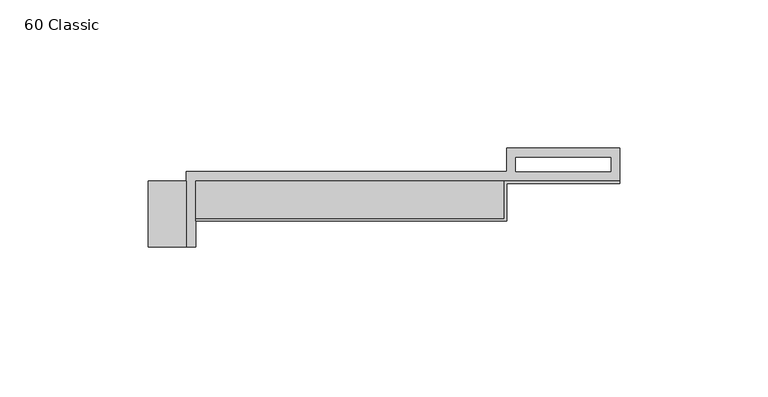
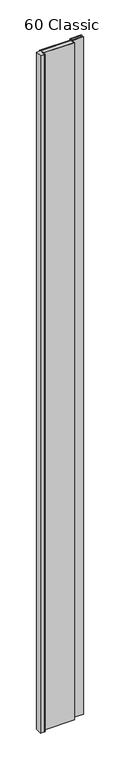
"""IFC4 building model written with IfcOpenShell, lengths in millimetres: proxy geometry, 60 Classic."""

from ifc_helpers import new_model, si_unit, origin, origin_with_axes, place, context, project, spatial, polyline, outline, extrude, source, transform, mapped, element, save


def proxy_60_classic_74727e83(model_context):
    return source(origin(), model_context, "Body", "SweptSolid", [
        extrude(outline(polyline([(-104.775, -12.7), (-0.79375, -12.7), (-0.79375, 0.0), (38.1, 0.0), (38.1, -0.79375), (0.0, -0.79375), (0.0, -13.49375), (-104.775, -13.49375), (-104.775, -12.7)])), origin_with_axes(), (0.0, 0.0, 1.0), 2438.4),
        extrude(outline(polyline([(-107.95, 0.0), (-107.95, -22.225), (-120.65, -22.225), (-120.65, 0.0), (-107.95, 0.0)])), origin_with_axes(), (0.0, 0.0, 1.0), 2438.4),
        extrude(outline(polyline([(0.0, 0.0), (0.0, -12.7), (-104.775, -12.7), (-104.775, 0.0), (0.0, 0.0)])), origin_with_axes(), (0.0, 0.0, 1.0), 2438.4),
        extrude(outline(polyline([(-107.95, -22.225), (-107.95, 3.175), (0.0, 3.175), (0.0, 11.1125), (38.1, 11.1125), (38.1, 0.0), (-104.775, 0.0), (-104.775, -22.225), (-107.95, -22.225)]), holes=[polyline([(3.175, 3.175), (35.1499571, 3.175), (35.1499571, 7.9375), (3.175, 7.9375), (3.175, 3.175)])]), origin_with_axes(), (0.0, 0.0, 1.0), 2438.4),
    ])


if __name__ == "__main__":
    model = new_model("IFC4")
    model_context = context("Model", 3, world=origin())
    ifc_project = project(units=[si_unit("LENGTHUNIT", "METRE", prefix="MILLI")], contexts=[model_context])
    site = spatial("IfcSite", under=ifc_project)
    building = spatial("IfcBuilding", under=site)
    placement = place(None, origin())
    proxy_60_classic_shape = proxy_60_classic_74727e83(model_context)
    element("IfcBuildingElementProxy", 1, Name="60 Classic", ObjectType="60 Classic", at=placement, inside=building, context=model_context, shape_type="MappedRepresentation", body=[
        mapped(proxy_60_classic_shape, transform((0.0, 0.0, 0.0), x_axis=(1.0, 0.0, 0.0), y_axis=(0.0, 1.0, 0.0), z_axis=(0.0, 0.0, 1.0))),
    ])
    save(model, "model.ifc")
